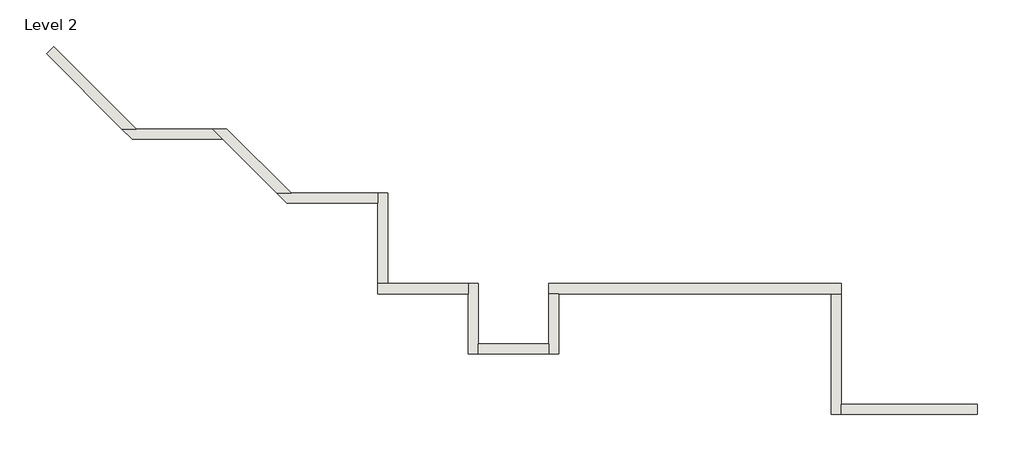
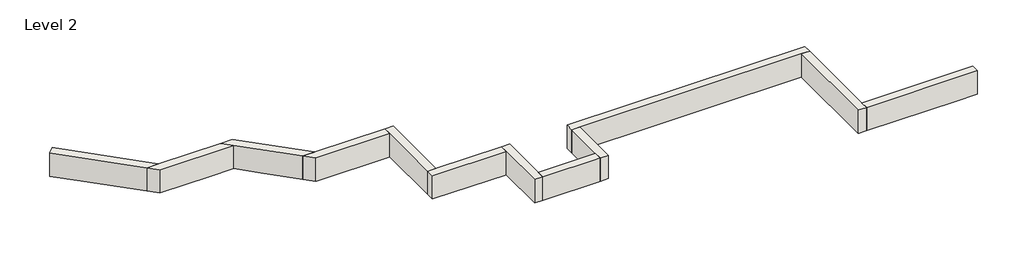
# One storey: 12 walls.
"""IFC4 building model written with IfcOpenShell, lengths in millimetres."""

from ifc_helpers import new_model, si_unit, frame, origin, place, context, project, spatial, polyline, outline, extrude, faceted_brep, element, save

model = new_model("IFC4")

# Units and contexts
model_context = context("Model", 3, world=origin())
ifc_project = project(units=[si_unit("LENGTHUNIT", "METRE", prefix="MILLI")], contexts=[model_context])

# Site, building, storey
site = spatial("IfcSite", under=ifc_project)
building = spatial("IfcBuilding", under=site)
storey = spatial("IfcBuildingStorey", under=building, Name="Level 2", Elevation=3048.0)

# Walls
placement = place(None, origin())
element("IfcWall", 1, ObjectType="Generic - 8\" Brick", at=placement, inside=storey, context=model_context, shape_type="Brep", body=[
    faceted_brep([(7518.357857, 1422.3976187, 3048.0), (4876.757857, 1422.3976187, 3048.0), (3657.557857, 1422.3976187, 3048.0), (1625.5602383, 1422.3976187, 3048.0), (1625.5602383, 1422.3976187, 3657.6), (7518.357857, 1422.3976187, 3657.6), (7518.357857, 1219.1976187, 3048.0), (7518.357857, 1219.1976187, 3657.6), (7315.157857, 1219.1976187, 3657.6), (1828.7602383, 1219.1976187, 3657.6), (1625.5602383, 1219.1976187, 3657.6), (1625.5602383, 1219.1976187, 3048.0), (1828.7602383, 1219.1976187, 3048.0), (3657.557857, 1219.1976187, 3048.0), (4876.757857, 1219.1976187, 3048.0), (7315.157857, 1219.1976187, 3048.0)], [[[0, 1, 2, 3, 4, 5]], [[6, 7, 8, 9, 10, 11, 12, 13, 14, 15]], [[3, 2, 1, 0, 6, 15, 14, 13, 12, 11]], [[5, 4, 10, 9, 8, 7]], [[4, 3, 11, 10]], [[0, 5, 7, 6]]]),
])
element("IfcWall", 2, ObjectType="Generic - 8\" Brick", at=placement, inside=storey, context=model_context, shape_type="Brep", body=[
    faceted_brep([(1625.5602383, 1219.1976187, 3048.0), (1625.5602383, 203.2, 3048.0), (1625.5602383, 0.0, 3048.0), (1625.5602383, 0.0, 3657.6), (1625.5602383, 203.2, 3657.6), (1625.5602383, 1219.1976187, 3657.6), (1828.7602383, 1219.1976187, 3048.0), (1828.7602383, 1219.1976187, 3657.6), (1828.7602383, 0.0, 3657.6), (1828.7602383, 0.0, 3048.0)], [[[0, 1, 2, 3, 4, 5]], [[6, 7, 8, 9]], [[2, 1, 0, 6, 9]], [[5, 4, 3, 8, 7]], [[0, 5, 7, 6]], [[3, 2, 9, 8]]]),
])
element("IfcWall", 3, ObjectType="Generic - 8\" Brick", at=placement, inside=storey, context=model_context, shape_type="SweptSolid", body=[
    extrude(outline(polyline([(203.157857, 203.2), (1625.5602383, 203.2), (1625.5602383, 0.0), (203.157857, 0.0), (203.157857, 203.2)])), frame((0.0, 0.0, 3048.0), z_axis=(0.0, 0.0, 1.0), x_axis=(1.0, 0.0, 0.0)), (0.0, 0.0, 1.0), 609.6),
])
element("IfcWall", 4, ObjectType="Generic - 8\" Brick", at=placement, inside=storey, context=model_context, shape_type="Brep", body=[
    faceted_brep([(203.157857, 0.0, 3048.0), (203.157857, 203.2, 3048.0), (203.157857, 1422.3976187, 3048.0), (203.157857, 1422.3976187, 3657.6), (203.157857, 203.2, 3657.6), (203.157857, 0.0, 3657.6), (-0.042143, 0.0, 3048.0), (-0.042143, 0.0, 3657.6), (-0.042143, 1219.1976187, 3657.6), (-0.042143, 1422.3976187, 3657.6), (-0.042143, 1422.3976187, 3048.0), (-0.042143, 1219.1976187, 3048.0)], [[[0, 1, 2, 3, 4, 5]], [[6, 7, 8, 9, 10, 11]], [[2, 1, 0, 6, 11, 10]], [[5, 4, 3, 9, 8, 7]], [[0, 5, 7, 6]], [[3, 2, 10, 9]]]),
])
element("IfcWall", 5, ObjectType="Generic - 8\" Brick", at=placement, inside=storey, context=model_context, shape_type="Brep", body=[
    faceted_brep([(-0.042143, 1422.3976187, 3048.0), (-1625.610393, 1422.3976187, 3048.0), (-1828.810393, 1422.3976187, 3048.0), (-1828.810393, 1422.3976187, 3657.6), (-1625.610393, 1422.3976187, 3657.6), (-0.042143, 1422.3976187, 3657.6), (-0.042143, 1219.1976187, 3048.0), (-0.042143, 1219.1976187, 3657.6), (-1828.810393, 1219.1976187, 3657.6), (-1828.810393, 1219.1976187, 3048.0)], [[[0, 1, 2, 3, 4, 5]], [[6, 7, 8, 9]], [[2, 1, 0, 6, 9]], [[5, 4, 3, 8, 7]], [[0, 5, 7, 6]], [[3, 2, 9, 8]]]),
])
element("IfcWall", 6, ObjectType="Generic - 8\" Brick", at=placement, inside=storey, context=model_context, shape_type="Brep", body=[
    faceted_brep([(-1625.610393, 1422.3976187, 3048.0), (-1625.610393, 3251.1840504, 3048.0), (-1625.610393, 3251.1840504, 3657.6), (-1625.610393, 1422.3976187, 3657.6), (-1828.810393, 1422.3976187, 3048.0), (-1828.810393, 1422.3976187, 3657.6), (-1828.810393, 3047.9840504, 3657.6), (-1828.810393, 3251.1840504, 3657.6), (-1828.810393, 3251.1840504, 3048.0), (-1828.810393, 3047.9840504, 3048.0)], [[[0, 1, 2, 3]], [[4, 5, 6, 7, 8, 9]], [[1, 0, 4, 9, 8]], [[3, 2, 7, 6, 5]], [[0, 3, 5, 4]], [[2, 1, 8, 7]]]),
])
element("IfcWall", 7, ObjectType="Generic - 8\" Brick", at=placement, inside=storey, context=model_context, shape_type="Brep", body=[
    faceted_brep([(7518.357857, -1219.1571375, 3048.0), (7518.357857, -1015.9571375, 3048.0), (7518.357857, 1219.1976187, 3048.0), (7518.357857, 1219.1976187, 3657.6), (7518.357857, -1015.9571375, 3657.6), (7518.357857, -1219.1571375, 3657.6), (7315.157857, -1219.1571375, 3048.0), (7315.157857, -1219.1571375, 3657.6), (7315.157857, 1219.1976187, 3657.6), (7315.157857, 1219.1976187, 3048.0)], [[[0, 1, 2, 3, 4, 5]], [[6, 7, 8, 9]], [[2, 1, 0, 6, 9]], [[5, 4, 3, 8, 7]], [[3, 2, 9, 8]], [[0, 5, 7, 6]]]),
])
element("IfcWall", 8, ObjectType="Generic - 8\" Brick", at=placement, inside=storey, context=model_context, shape_type="Brep", body=[
    faceted_brep([(-1828.810393, 3251.1840504, 3048.0), (-3573.4295302, 3251.1840504, 3048.0), (-3860.797726, 3251.1840504, 3048.0), (-3860.797726, 3251.1840504, 3657.6), (-3573.4295302, 3251.1840504, 3657.6), (-1828.810393, 3251.1840504, 3657.6), (-1828.810393, 3047.9840504, 3048.0), (-1828.810393, 3047.9840504, 3657.6), (-3657.597726, 3047.9840504, 3657.6), (-3657.597726, 3047.9840504, 3048.0)], [[[0, 1, 2, 3, 4, 5]], [[6, 7, 8, 9]], [[2, 1, 0, 6, 9]], [[5, 4, 3, 8, 7]], [[0, 5, 7, 6]], [[3, 2, 9, 8]]]),
])
element("IfcWall", 9, ObjectType="Generic - 8\" Brick", at=placement, inside=storey, context=model_context, shape_type="Brep", body=[
    faceted_brep([(-3573.4295302, 3251.1840504, 3048.0), (-4376.0182157, 4053.7727359, 3048.0), (-4866.5409257, 4544.2954459, 3048.0), (-4866.5409257, 4544.2954459, 3657.6), (-3573.4295302, 3251.1840504, 3657.6), (-3860.797726, 3251.1840504, 3048.0), (-3860.797726, 3251.1840504, 3657.6), (-4950.7091215, 4341.0954459, 3657.6), (-5153.9091215, 4544.2954459, 3657.6), (-5153.9091215, 4544.2954459, 3048.0), (-4950.7091215, 4341.0954459, 3048.0), (-4519.7023137, 3910.088638, 3048.0)], [[[0, 1, 2, 3, 4]], [[5, 6, 7, 8, 9, 10, 11]], [[2, 1, 0, 5, 11, 10, 9]], [[4, 3, 8, 7, 6]], [[0, 4, 6, 5]], [[3, 2, 9, 8]]]),
])
element("IfcWall", 10, ObjectType="Generic - 8\" Brick", at=placement, inside=storey, context=model_context, shape_type="Brep", body=[
    faceted_brep([(10266.3227383, -1015.9571375, 3048.0), (9753.5602383, -1015.9571375, 3048.0), (7518.357857, -1015.9571375, 3048.0), (7518.357857, -1015.9571375, 3657.6), (10266.3227383, -1015.9571375, 3657.6), (10266.3227383, -1219.1571375, 3048.0), (10266.3227383, -1219.1571375, 3657.6), (7518.357857, -1219.1571375, 3657.6), (7518.357857, -1219.1571375, 3048.0), (9753.5602383, -1219.1571375, 3048.0)], [[[0, 1, 2, 3, 4]], [[5, 6, 7, 8, 9]], [[2, 1, 0, 5, 9, 8]], [[4, 3, 7, 6]], [[0, 4, 6, 5]], [[3, 2, 8, 7]]]),
])
element("IfcWall", 11, ObjectType="Generic - 8\" Brick", at=placement, inside=storey, context=model_context, shape_type="Brep", body=[
    faceted_brep([(-5153.9091215, 4544.2954459, 3048.0), (-5560.3226153, 4544.2954459, 3048.0), (-6695.3544194, 4544.2954459, 3048.0), (-6982.7226153, 4544.2954459, 3048.0), (-6982.7226153, 4544.2954459, 3657.6), (-6695.3544194, 4544.2954459, 3657.6), (-5153.9091215, 4544.2954459, 3657.6), (-4950.7091215, 4341.0954459, 3048.0), (-4950.7091215, 4341.0954459, 3657.6), (-6779.5226153, 4341.0954459, 3657.6), (-6779.5226153, 4341.0954459, 3048.0), (-5560.3226153, 4341.0954459, 3048.0)], [[[0, 1, 2, 3, 4, 5, 6]], [[7, 8, 9, 10, 11]], [[3, 2, 1, 0, 7, 11, 10]], [[6, 5, 4, 9, 8]], [[4, 3, 10, 9]], [[0, 6, 8, 7]]]),
])
element("IfcWall", 12, ObjectType="Generic - 8\" Brick", at=placement, inside=storey, context=model_context, shape_type="Brep", body=[
    faceted_brep([(-6695.3544194, 4544.2954459, 3048.0), (-7928.9634066, 5777.9044331, 3048.0), (-8360.0157004, 6208.9567269, 3048.0), (-8360.0157004, 6208.9567269, 3657.6), (-6695.3544194, 4544.2954459, 3657.6), (-6982.7226153, 4544.2954459, 3048.0), (-6982.7226153, 4544.2954459, 3657.6), (-8503.6997984, 6065.272629, 3657.6), (-8503.6997984, 6065.272629, 3048.0), (-8072.6475046, 5634.2203352, 3048.0)], [[[0, 1, 2, 3, 4]], [[5, 6, 7, 8, 9]], [[2, 1, 0, 5, 9, 8]], [[3, 2, 8, 7]], [[4, 3, 7, 6]], [[0, 4, 6, 5]]]),
])

save(model, "model.ifc")
